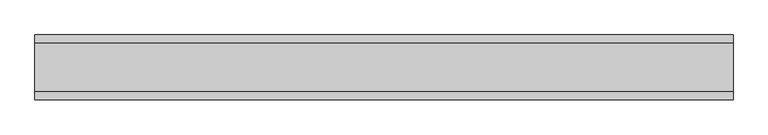
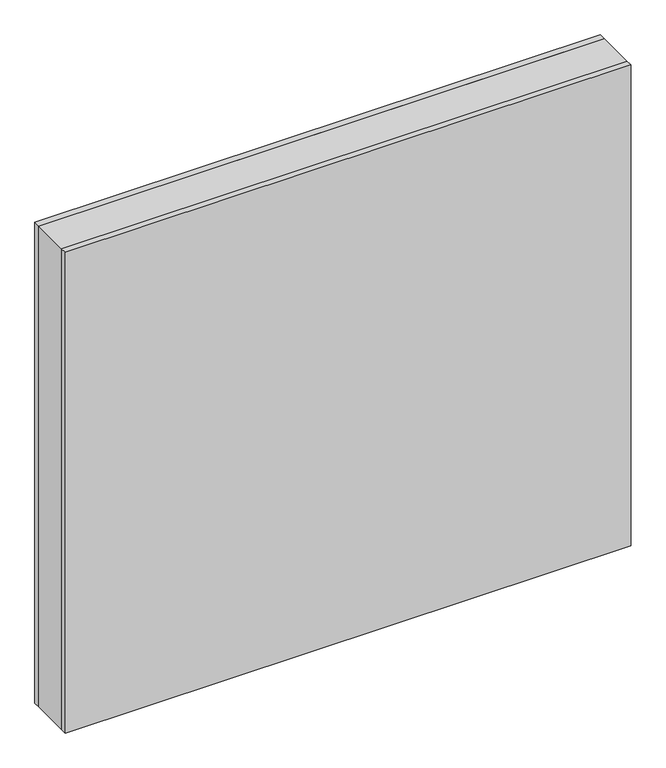
"""IFC4 building model written with IfcOpenShell, lengths in millimetres: plate geometry."""

import ifcopenshell
import ifcopenshell.guid

model = None  # the IFC model being written
_history = None  # IfcOwnerHistory: only IFC2X3 demands one
_inside = {}  # id of a spatial element -> (the spatial element, [elements in it])
_under = {}  # id of a project, library or spatial element -> (it, [spatial elements below it])
_declared = {}  # id of a project -> (the project, [libraries it declares])
_typed = {}  # id of a type object -> (the type object, [elements of that type])
_made_of = {}  # id of a material, layer set ... -> (it, [elements and type objects made of it])


def new_model(schema):
    """Start an empty IFC model of exactly this schema.

    Asked for "IFC4X3", IfcOpenShell would pick the latest addendum, in which some entities
    have other attributes; the version numbers below select the first issue.
    IFC2X3 requires an IfcOwnerHistory on every rooted entity: one is made here for all.
    """
    global model, _history
    if schema == "IFC4X3":
        model = ifcopenshell.file(schema_version=(4, 3, 0, 0))
    else:
        model = ifcopenshell.file(schema=schema)
    _inside.clear()
    _under.clear()
    _declared.clear()
    _typed.clear()
    _made_of.clear()
    _history = None
    if model.schema == "IFC2X3":
        org = make("IfcOrganization", Name="unknown")
        user = make(
            "IfcPersonAndOrganization",
            ThePerson=make("IfcPerson", FamilyName="unknown"),
            TheOrganization=org,
        )
        app = make(
            "IfcApplication",
            ApplicationDeveloper=org,
            Version="unknown",
            ApplicationFullName="unknown",
            ApplicationIdentifier="unknown",
        )
        _history = make(
            "IfcOwnerHistory",
            OwningUser=user,
            OwningApplication=app,
            ChangeAction="ADDED",
            CreationDate=0,
        )
    return model


def make(cls, **values):
    """One entity of the class cls with the attributes given. An attribute that is None is left unset."""
    return model.create_entity(
        cls, **{name: value for name, value in values.items() if value is not None}
    )


def rooted(cls, **values):
    """An entity with a GlobalId (a new one), such as an element, a storey or a relation."""
    return make(cls, GlobalId=ifcopenshell.guid.new(), OwnerHistory=_history, **values)


def si_unit(unit_type, name, prefix=None):
    """IfcSIUnit, for example si_unit("LENGTHUNIT", "METRE", prefix="MILLI")."""
    return make("IfcSIUnit", UnitType=unit_type, Prefix=prefix, Name=name)


def assignment(units):
    """IfcUnitAssignment: the units of a project."""
    return None if units is None else make("IfcUnitAssignment", Units=units)


def point(xyz):
    """IfcCartesianPoint."""
    return None if xyz is None else make("IfcCartesianPoint", Coordinates=xyz)


def direction(xyz):
    """IfcDirection."""
    return None if xyz is None else make("IfcDirection", DirectionRatios=xyz)


def frame(location, z_axis=None, x_axis=None):
    """IfcAxis2Placement3D, a coordinate frame: its origin and axes. An axis left out is left unset."""
    return make(
        "IfcAxis2Placement3D",
        Location=point(location),
        Axis=direction(z_axis),
        RefDirection=direction(x_axis),
    )


def origin():
    """The frame at (0, 0, 0) with its axes left unset."""
    return frame((0.0, 0.0, 0.0))


def origin_with_axes():
    """The frame at (0, 0, 0) with the z axis (0, 0, 1) and the x axis (1, 0, 0) written out."""
    return frame((0.0, 0.0, 0.0), z_axis=(0.0, 0.0, 1.0), x_axis=(1.0, 0.0, 0.0))


def place(relative_to, where):
    """IfcLocalPlacement: puts the frame where relative to a parent placement (None: the world)."""
    return make(
        "IfcLocalPlacement", PlacementRelTo=relative_to, RelativePlacement=where
    )


def context(
    kind, dimensions, precision=None, world=None, true_north=None, identifier=None
):
    """IfcGeometricRepresentationContext, for example the 3D "Model" context."""
    return make(
        "IfcGeometricRepresentationContext",
        ContextIdentifier=identifier,
        ContextType=kind,
        CoordinateSpaceDimension=dimensions,
        Precision=precision,
        WorldCoordinateSystem=world,
        TrueNorth=true_north,
    )


def project(units=None, contexts=None):
    """IfcProject with its units and contexts."""
    return rooted(
        "IfcProject",
        Name="project",
        RepresentationContexts=contexts,
        UnitsInContext=assignment(units),
    )


def spatial(cls, under=None, at=None, **own):
    """A site, building, storey or space (cls), placed at a placement, below another one or the project."""
    s = rooted(cls, ObjectPlacement=at, **own)
    if under is not None:
        _under.setdefault(under.id(), (under, []))[1].append(s)
    return s


def polyline(points):
    """IfcPolyline through the points."""
    return make("IfcPolyline", Points=[point(p) for p in points])


def outline(outer, holes=None, kind="AREA"):
    """IfcArbitraryClosedProfileDef: a profile drawn as a closed curve; with holes, ...WithVoids."""
    if holes is None:
        return make("IfcArbitraryClosedProfileDef", ProfileType=kind, OuterCurve=outer)
    return make(
        "IfcArbitraryProfileDefWithVoids",
        ProfileType=kind,
        OuterCurve=outer,
        InnerCurves=holes,
    )


def extrude(swept, where, along, depth):
    """IfcExtrudedAreaSolid: the profile swept, set in the frame where, extruded along a direction by depth."""
    return make(
        "IfcExtrudedAreaSolid",
        SweptArea=swept,
        Position=where,
        ExtrudedDirection=direction(along),
        Depth=depth,
    )


def shape(context_of_items, identifier, shape_type, items):
    """IfcShapeRepresentation: the items that make up one representation, for example the "Body"."""
    return make(
        "IfcShapeRepresentation",
        ContextOfItems=context_of_items,
        RepresentationIdentifier=identifier,
        RepresentationType=shape_type,
        Items=items,
    )


def source(mapping_origin, context_of_items, identifier, shape_type, items):
    """IfcRepresentationMap: a shape defined once, which mapped items show again and again."""
    return make(
        "IfcRepresentationMap",
        MappingOrigin=mapping_origin,
        MappedRepresentation=shape(context_of_items, identifier, shape_type, items),
    )


def transform(
    local_origin,
    x_axis=None,
    y_axis=None,
    z_axis=None,
    scale=None,
    scale2=None,
    scale3=None,
    uniform=True,
):
    """IfcCartesianTransformationOperator3D, or its non-uniform kind. x_axis, y_axis, z_axis: its Axis1, 2, 3."""
    if uniform:
        return make(
            "IfcCartesianTransformationOperator3D",
            Axis1=direction(x_axis),
            Axis2=direction(y_axis),
            LocalOrigin=point(local_origin),
            Scale=scale,
            Axis3=direction(z_axis),
        )
    return make(
        "IfcCartesianTransformationOperator3DnonUniform",
        Axis1=direction(x_axis),
        Axis2=direction(y_axis),
        LocalOrigin=point(local_origin),
        Scale=scale,
        Axis3=direction(z_axis),
        Scale2=scale2,
        Scale3=scale3,
    )


def mapped(mapping_source, mapping_target):
    """IfcMappedItem: shows the shape of a source again, moved by a transform."""
    return make(
        "IfcMappedItem", MappingSource=mapping_source, MappingTarget=mapping_target
    )


def made_of(thing, what):
    """Note that an element or type object is made of a material, layer set ...; save() writes the relation."""
    if what is not None:
        _made_of.setdefault(what.id(), (what, []))[1].append(thing)
    return thing


def element(
    cls,
    number,
    at=None,
    inside=None,
    cuts=None,
    type_object=None,
    material=None,
    context=None,
    identifier="Body",
    shape_type=None,
    held_by="IfcProductDefinitionShape",
    body=None,
    shapes=None,
    **own,
):
    """One element of the class cls, such as IfcWall. Its Tag is "e" and its number.

    at: its placement. inside: the storey or other place that contains it. cuts: it is an
    opening in that element (IfcRelVoidsElement). A single representation is given by context,
    identifier, shape_type and body (its items); several are given by shapes. held_by: the class
    of the entity that holds the representations. save() writes the other relations.
    """
    e = rooted(cls, Tag="e%d" % number, ObjectPlacement=at, **own)
    if body is not None:
        shapes = [shape(context, identifier, shape_type, body)]
    if shapes is not None:
        e.Representation = make(held_by, Representations=shapes)
    if inside is not None:
        _inside.setdefault(inside.id(), (inside, []))[1].append(e)
    if cuts is not None:
        rooted(
            "IfcRelVoidsElement", RelatingBuildingElement=cuts, RelatedOpeningElement=e
        )
    if type_object is not None:
        _typed.setdefault(type_object.id(), (type_object, []))[1].append(e)
    return made_of(e, material)


def aggregate(whole, parts):
    """IfcRelAggregates: a whole, such as a stair, and the parts it consists of."""
    return rooted("IfcRelAggregates", RelatingObject=whole, RelatedObjects=parts)


def save(model, path):
    """Write the relations noted so far, then the file.

    IfcRelAggregates (storeys below a building ...), IfcRelContainedInSpatialStructure (elements
    in a storey), IfcRelDefinesByType, IfcRelAssociatesMaterial and IfcRelDeclares: one each for
    every whole, place, type object, material and project.
    """
    for whole, parts in _under.values():
        aggregate(whole, parts)
    for where, things in _inside.values():
        rooted(
            "IfcRelContainedInSpatialStructure",
            RelatedElements=things,
            RelatingStructure=where,
        )
    for kind, things in _typed.values():
        rooted("IfcRelDefinesByType", RelatedObjects=things, RelatingType=kind)
    for what, things in _made_of.values():
        rooted("IfcRelAssociatesMaterial", RelatedObjects=things, RelatingMaterial=what)
    for by, libraries in _declared.values():
        rooted("IfcRelDeclares", RelatingContext=by, RelatedDefinitions=libraries)
    model.write(path)


def plate_2c9f3806(model_context):
    return source(origin(), model_context, "Body", "SweptSolid", [
        extrude(outline(polyline([(539.9375001, 37.0), (539.9375001, -37.0), (-539.9375001, -37.0), (-539.9375001, 37.0), (539.9375001, 37.0)])), origin_with_axes(), (0.0, 0.0, 1.0), 969.5),
        extrude(outline(polyline([(539.9375001, 50.0), (539.9375001, 37.0), (-539.9375001, 37.0), (-539.9375001, 50.0), (539.9375001, 50.0)])), origin_with_axes(), (0.0, 0.0, 1.0), 969.5),
        extrude(outline(polyline([(-539.9375001, -50.0), (-539.9375001, -37.0), (539.9375001, -37.0), (539.9375001, -50.0), (-539.9375001, -50.0)])), origin_with_axes(), (0.0, 0.0, 1.0), 969.5),
    ])


if __name__ == "__main__":
    model = new_model("IFC4")
    model_context = context("Model", 3, world=origin())
    ifc_project = project(units=[si_unit("LENGTHUNIT", "METRE", prefix="MILLI")], contexts=[model_context])
    site = spatial("IfcSite", under=ifc_project)
    building = spatial("IfcBuilding", under=site)
    placement = place(None, origin())
    plate_shape = plate_2c9f3806(model_context)
    element("IfcPlate", 1, at=placement, inside=building, context=model_context, shape_type="MappedRepresentation", body=[
        mapped(plate_shape, transform((0.0, 0.0, 0.0), x_axis=(1.0, 0.0, 0.0), y_axis=(0.0, 1.0, 0.0), z_axis=(0.0, 0.0, 1.0))),
    ])
    save(model, "model.ifc")
